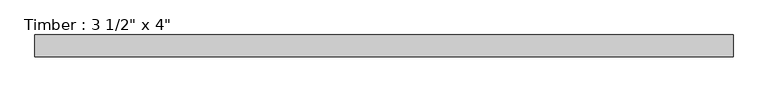
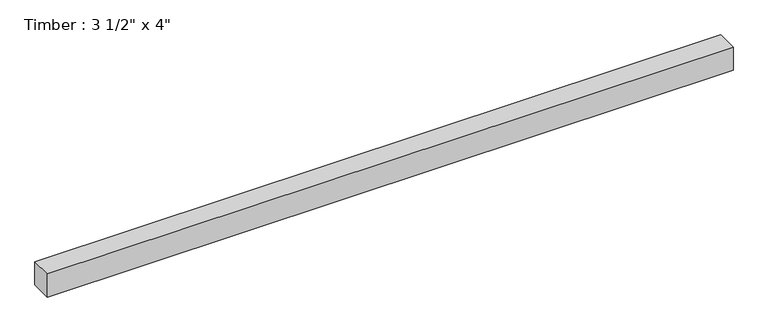
"""IFC4 building model written with IfcOpenShell, lengths in millimetres: beam geometry."""

import ifcopenshell
import ifcopenshell.guid

model = None  # the IFC model being written
_history = None  # IfcOwnerHistory: only IFC2X3 demands one
_inside = {}  # id of a spatial element -> (the spatial element, [elements in it])
_under = {}  # id of a project, library or spatial element -> (it, [spatial elements below it])
_declared = {}  # id of a project -> (the project, [libraries it declares])
_typed = {}  # id of a type object -> (the type object, [elements of that type])
_made_of = {}  # id of a material, layer set ... -> (it, [elements and type objects made of it])


def new_model(schema):
    """Start an empty IFC model of exactly this schema.

    Asked for "IFC4X3", IfcOpenShell would pick the latest addendum, in which some entities
    have other attributes; the version numbers below select the first issue.
    IFC2X3 requires an IfcOwnerHistory on every rooted entity: one is made here for all.
    """
    global model, _history
    if schema == "IFC4X3":
        model = ifcopenshell.file(schema_version=(4, 3, 0, 0))
    else:
        model = ifcopenshell.file(schema=schema)
    _inside.clear()
    _under.clear()
    _declared.clear()
    _typed.clear()
    _made_of.clear()
    _history = None
    if model.schema == "IFC2X3":
        org = make("IfcOrganization", Name="unknown")
        user = make(
            "IfcPersonAndOrganization",
            ThePerson=make("IfcPerson", FamilyName="unknown"),
            TheOrganization=org,
        )
        app = make(
            "IfcApplication",
            ApplicationDeveloper=org,
            Version="unknown",
            ApplicationFullName="unknown",
            ApplicationIdentifier="unknown",
        )
        _history = make(
            "IfcOwnerHistory",
            OwningUser=user,
            OwningApplication=app,
            ChangeAction="ADDED",
            CreationDate=0,
        )
    return model


def make(cls, **values):
    """One entity of the class cls with the attributes given. An attribute that is None is left unset."""
    return model.create_entity(
        cls, **{name: value for name, value in values.items() if value is not None}
    )


def rooted(cls, **values):
    """An entity with a GlobalId (a new one), such as an element, a storey or a relation."""
    return make(cls, GlobalId=ifcopenshell.guid.new(), OwnerHistory=_history, **values)


def si_unit(unit_type, name, prefix=None):
    """IfcSIUnit, for example si_unit("LENGTHUNIT", "METRE", prefix="MILLI")."""
    return make("IfcSIUnit", UnitType=unit_type, Prefix=prefix, Name=name)


def assignment(units):
    """IfcUnitAssignment: the units of a project."""
    return None if units is None else make("IfcUnitAssignment", Units=units)


def point(xyz):
    """IfcCartesianPoint."""
    return None if xyz is None else make("IfcCartesianPoint", Coordinates=xyz)


def direction(xyz):
    """IfcDirection."""
    return None if xyz is None else make("IfcDirection", DirectionRatios=xyz)


def frame(location, z_axis=None, x_axis=None):
    """IfcAxis2Placement3D, a coordinate frame: its origin and axes. An axis left out is left unset."""
    return make(
        "IfcAxis2Placement3D",
        Location=point(location),
        Axis=direction(z_axis),
        RefDirection=direction(x_axis),
    )


def origin():
    """The frame at (0, 0, 0) with its axes left unset."""
    return frame((0.0, 0.0, 0.0))


def place(relative_to, where):
    """IfcLocalPlacement: puts the frame where relative to a parent placement (None: the world)."""
    return make(
        "IfcLocalPlacement", PlacementRelTo=relative_to, RelativePlacement=where
    )


def context(
    kind, dimensions, precision=None, world=None, true_north=None, identifier=None
):
    """IfcGeometricRepresentationContext, for example the 3D "Model" context."""
    return make(
        "IfcGeometricRepresentationContext",
        ContextIdentifier=identifier,
        ContextType=kind,
        CoordinateSpaceDimension=dimensions,
        Precision=precision,
        WorldCoordinateSystem=world,
        TrueNorth=true_north,
    )


def project(units=None, contexts=None):
    """IfcProject with its units and contexts."""
    return rooted(
        "IfcProject",
        Name="project",
        RepresentationContexts=contexts,
        UnitsInContext=assignment(units),
    )


def spatial(cls, under=None, at=None, **own):
    """A site, building, storey or space (cls), placed at a placement, below another one or the project."""
    s = rooted(cls, ObjectPlacement=at, **own)
    if under is not None:
        _under.setdefault(under.id(), (under, []))[1].append(s)
    return s


def polyline(points):
    """IfcPolyline through the points."""
    return make("IfcPolyline", Points=[point(p) for p in points])


def outline(outer, holes=None, kind="AREA"):
    """IfcArbitraryClosedProfileDef: a profile drawn as a closed curve; with holes, ...WithVoids."""
    if holes is None:
        return make("IfcArbitraryClosedProfileDef", ProfileType=kind, OuterCurve=outer)
    return make(
        "IfcArbitraryProfileDefWithVoids",
        ProfileType=kind,
        OuterCurve=outer,
        InnerCurves=holes,
    )


def extrude(swept, where, along, depth):
    """IfcExtrudedAreaSolid: the profile swept, set in the frame where, extruded along a direction by depth."""
    return make(
        "IfcExtrudedAreaSolid",
        SweptArea=swept,
        Position=where,
        ExtrudedDirection=direction(along),
        Depth=depth,
    )


def shape(context_of_items, identifier, shape_type, items):
    """IfcShapeRepresentation: the items that make up one representation, for example the "Body"."""
    return make(
        "IfcShapeRepresentation",
        ContextOfItems=context_of_items,
        RepresentationIdentifier=identifier,
        RepresentationType=shape_type,
        Items=items,
    )


def source(mapping_origin, context_of_items, identifier, shape_type, items):
    """IfcRepresentationMap: a shape defined once, which mapped items show again and again."""
    return make(
        "IfcRepresentationMap",
        MappingOrigin=mapping_origin,
        MappedRepresentation=shape(context_of_items, identifier, shape_type, items),
    )


def transform(
    local_origin,
    x_axis=None,
    y_axis=None,
    z_axis=None,
    scale=None,
    scale2=None,
    scale3=None,
    uniform=True,
):
    """IfcCartesianTransformationOperator3D, or its non-uniform kind. x_axis, y_axis, z_axis: its Axis1, 2, 3."""
    if uniform:
        return make(
            "IfcCartesianTransformationOperator3D",
            Axis1=direction(x_axis),
            Axis2=direction(y_axis),
            LocalOrigin=point(local_origin),
            Scale=scale,
            Axis3=direction(z_axis),
        )
    return make(
        "IfcCartesianTransformationOperator3DnonUniform",
        Axis1=direction(x_axis),
        Axis2=direction(y_axis),
        LocalOrigin=point(local_origin),
        Scale=scale,
        Axis3=direction(z_axis),
        Scale2=scale2,
        Scale3=scale3,
    )


def mapped(mapping_source, mapping_target):
    """IfcMappedItem: shows the shape of a source again, moved by a transform."""
    return make(
        "IfcMappedItem", MappingSource=mapping_source, MappingTarget=mapping_target
    )


def made_of(thing, what):
    """Note that an element or type object is made of a material, layer set ...; save() writes the relation."""
    if what is not None:
        _made_of.setdefault(what.id(), (what, []))[1].append(thing)
    return thing


def element(
    cls,
    number,
    at=None,
    inside=None,
    cuts=None,
    type_object=None,
    material=None,
    context=None,
    identifier="Body",
    shape_type=None,
    held_by="IfcProductDefinitionShape",
    body=None,
    shapes=None,
    **own,
):
    """One element of the class cls, such as IfcWall. Its Tag is "e" and its number.

    at: its placement. inside: the storey or other place that contains it. cuts: it is an
    opening in that element (IfcRelVoidsElement). A single representation is given by context,
    identifier, shape_type and body (its items); several are given by shapes. held_by: the class
    of the entity that holds the representations. save() writes the other relations.
    """
    e = rooted(cls, Tag="e%d" % number, ObjectPlacement=at, **own)
    if body is not None:
        shapes = [shape(context, identifier, shape_type, body)]
    if shapes is not None:
        e.Representation = make(held_by, Representations=shapes)
    if inside is not None:
        _inside.setdefault(inside.id(), (inside, []))[1].append(e)
    if cuts is not None:
        rooted(
            "IfcRelVoidsElement", RelatingBuildingElement=cuts, RelatedOpeningElement=e
        )
    if type_object is not None:
        _typed.setdefault(type_object.id(), (type_object, []))[1].append(e)
    return made_of(e, material)


def aggregate(whole, parts):
    """IfcRelAggregates: a whole, such as a stair, and the parts it consists of."""
    return rooted("IfcRelAggregates", RelatingObject=whole, RelatedObjects=parts)


def save(model, path):
    """Write the relations noted so far, then the file.

    IfcRelAggregates (storeys below a building ...), IfcRelContainedInSpatialStructure (elements
    in a storey), IfcRelDefinesByType, IfcRelAssociatesMaterial and IfcRelDeclares: one each for
    every whole, place, type object, material and project.
    """
    for whole, parts in _under.values():
        aggregate(whole, parts)
    for where, things in _inside.values():
        rooted(
            "IfcRelContainedInSpatialStructure",
            RelatedElements=things,
            RelatingStructure=where,
        )
    for kind, things in _typed.values():
        rooted("IfcRelDefinesByType", RelatedObjects=things, RelatingType=kind)
    for what, things in _made_of.values():
        rooted("IfcRelAssociatesMaterial", RelatedObjects=things, RelatingMaterial=what)
    for by, libraries in _declared.values():
        rooted("IfcRelDeclares", RelatingContext=by, RelatedDefinitions=libraries)
    model.write(path)


def beam_b35dbaa7(model_context):
    return source(origin(), model_context, "Body", "SweptSolid", [
        extrude(outline(polyline([(1418.2097444, -44.45), (-1418.2097444, -44.45), (-1418.2097444, 44.45), (1418.2097444, 44.45), (1418.2097444, -44.45)])), frame((0.0, 0.0, -50.8), z_axis=(0.0, 0.0, 1.0), x_axis=(1.0, 0.0, 0.0)), (0.0, 0.0, 1.0), 101.6),
    ])


if __name__ == "__main__":
    model = new_model("IFC4")
    model_context = context("Model", 3, world=origin())
    ifc_project = project(units=[si_unit("LENGTHUNIT", "METRE", prefix="MILLI")], contexts=[model_context])
    site = spatial("IfcSite", under=ifc_project)
    building = spatial("IfcBuilding", under=site)
    placement = place(None, origin())
    beam_shape = beam_b35dbaa7(model_context)
    element("IfcBeam", 1, ObjectType="Timber : 3 1/2\" x 4\"", at=placement, inside=building, context=model_context, shape_type="MappedRepresentation", body=[
        mapped(beam_shape, transform((0.0, 0.0, 0.0), x_axis=(1.0, 0.0, 0.0), y_axis=(0.0, 1.0, 0.0), z_axis=(0.0, 0.0, 1.0))),
    ])
    save(model, "model.ifc")
